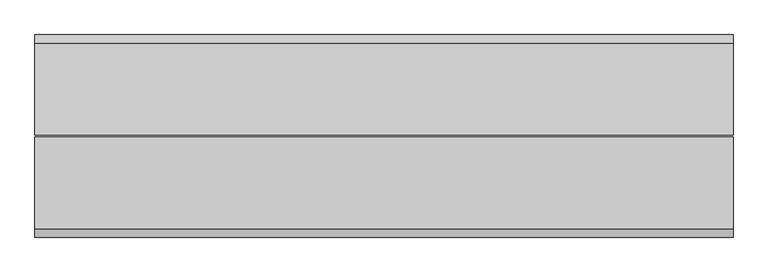
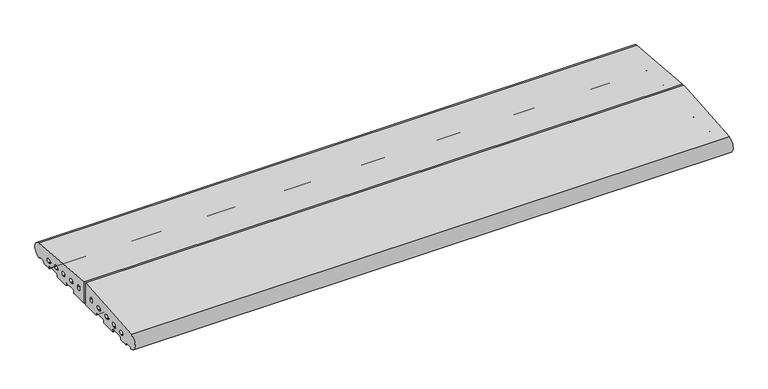
"""IFC4 building model written with IfcOpenShell, lengths in millimetres: proxy geometry."""

from ifc_helpers import new_model, si_unit, point, frame, frame_2d, origin, place, context, project, spatial, polyline, circle_curve, trimmed, segment, composite_curve, outline, extrude, source, transform, mapped, element, save


def generic_models_19029b8a(model_context):
    return source(origin(), model_context, "Body", "SweptSolid", [
        extrude(outline(composite_curve([segment(trimmed(circle_curve(frame_2d((26.5732255, 3.5071443)), 1.0), [point((26.5981483, 2.5074549))], [point((25.7072001, 3.0071443))], False, "CARTESIAN"), True, "CONTINUOUS"), segment(polyline([(25.7072001, 3.0071443), (23.6905989, 6.5)]), True, "CONTINUOUS"), segment(trimmed(circle_curve(frame_2d((21.9585481, 5.5)), 2.0), [point((23.6905989, 6.5))], [point((21.9585481, 7.5))], True, "CARTESIAN"), True, "CONTINUOUS"), segment(polyline([(21.9585481, 7.5), (5.4848276, 7.5)]), True, "CONTINUOUS"), segment(trimmed(circle_curve(frame_2d((5.4848276, 5.5)), 2.0), [point((5.4848276, 7.5))], [point((3.7527767, 6.5))], True, "CARTESIAN"), True, "CONTINUOUS"), segment(polyline([(3.7527767, 6.5), (0.2886751, 0.5)]), True, "CONTINUOUS"), segment(trimmed(circle_curve(frame_2d((-0.5773503, 1.0)), 1.0), [point((0.2886751, 0.5))], [point((-0.5773503, 0.0))], False, "CARTESIAN"), True, "CONTINUOUS"), segment(polyline([(-0.5773503, 0.0), (-27.0, 0.0)]), True, "CONTINUOUS"), segment(trimmed(circle_curve(frame_2d((-27.0, 1.0)), 1.0), [point((-27.0, 0.0))], [point((-28.0, 1.0))], False, "CARTESIAN"), True, "CONTINUOUS"), segment(polyline([(-28.0, 1.0), (-28.0, 7.0)]), True, "CONTINUOUS"), segment(trimmed(circle_curve(frame_2d((-30.0, 7.0)), 2.0), [point((-28.0, 7.0))], [point((-30.0, 9.0))], True, "CARTESIAN"), True, "CONTINUOUS"), segment(polyline([(-30.0, 9.0), (-68.0, 9.0)]), True, "CONTINUOUS"), segment(trimmed(circle_curve(frame_2d((-68.0, 7.0)), 2.0), [point((-68.0, 9.0))], [point((-70.0, 7.0))], True, "CARTESIAN"), True, "CONTINUOUS"), segment(polyline([(-70.0, 7.0), (-70.0, 1.0)]), True, "CONTINUOUS"), segment(trimmed(circle_curve(frame_2d((-71.0, 1.0)), 1.0), [point((-70.0, 1.0))], [point((-71.0, 0.0))], False, "CARTESIAN"), True, "CONTINUOUS"), segment(polyline([(-71.0, 0.0), (-117.0, 0.0)]), True, "CONTINUOUS"), segment(trimmed(circle_curve(frame_2d((-117.0, 1.0)), 1.0), [point((-117.0, 0.0))], [point((-118.0, 1.0))], False, "CARTESIAN"), True, "CONTINUOUS"), segment(polyline([(-118.0, 1.0), (-118.0, 7.0)]), True, "CONTINUOUS"), segment(trimmed(circle_curve(frame_2d((-120.0, 7.0)), 2.0), [point((-118.0, 7.0))], [point((-120.0, 9.0))], True, "CARTESIAN"), True, "CONTINUOUS"), segment(polyline([(-120.0, 9.0), (-158.0, 9.0)]), True, "CONTINUOUS"), segment(trimmed(circle_curve(frame_2d((-158.0, 7.0)), 2.0), [point((-158.0, 9.0))], [point((-160.0, 7.0))], True, "CARTESIAN"), True, "CONTINUOUS"), segment(polyline([(-160.0, 7.0), (-160.0, 1.0)]), True, "CONTINUOUS"), segment(trimmed(circle_curve(frame_2d((-161.0, 1.0)), 1.0), [point((-160.0, 1.0))], [point((-161.0, 0.0))], False, "CARTESIAN"), True, "CONTINUOUS"), segment(polyline([(-161.0, 0.0), (-217.0, 0.0), (-217.0, 71.7901644), (28.0858073, 50.4091909)]), True, "CONTINUOUS"), segment(trimmed(circle_curve(frame_2d((26.0, 26.5)), 24.0), [point((28.0858073, 50.4091909))], [point((26.5981483, 2.5074549))], False, "CARTESIAN"), True, "CONTINUOUS")], self_intersect=False), holes=[composite_curve([segment(polyline([(-25.6340051, 17.8353497), (-22.3659949, 17.8353497)]), True, "CONTINUOUS"), segment(trimmed(circle_curve(frame_2d((-21.9962051, 23.8353497)), 6.0113846), [point((-22.3659949, 17.8353497))], [point((-22.3659949, 29.8353497))], True, "CARTESIAN"), True, "CONTINUOUS"), segment(polyline([(-22.3659949, 29.8353497), (-25.6340051, 29.8353497)]), True, "CONTINUOUS"), segment(trimmed(circle_curve(frame_2d((-26.0037949, 23.8353497)), 6.0113846), [point((-25.6340051, 29.8353497))], [point((-25.6340051, 17.8353497))], True, "CARTESIAN"), True, "CONTINUOUS")], self_intersect=False), composite_curve([segment(polyline([(-65.6340051, 20.300615), (-62.3659949, 20.300615)]), True, "CONTINUOUS"), segment(trimmed(circle_curve(frame_2d((-61.9962051, 26.300615)), 6.0113846), [point((-62.3659949, 20.300615))], [point((-62.3659949, 32.300615))], True, "CARTESIAN"), True, "CONTINUOUS"), segment(polyline([(-62.3659949, 32.300615), (-65.6340051, 32.300615)]), True, "CONTINUOUS"), segment(trimmed(circle_curve(frame_2d((-66.0037949, 26.300615)), 6.0113846), [point((-65.6340051, 32.300615))], [point((-65.6340051, 20.300615))], True, "CARTESIAN"), True, "CONTINUOUS")], self_intersect=False), composite_curve([segment(polyline([(-102.3659949, 34.7658802), (-105.6340051, 34.7658802)]), True, "CONTINUOUS"), segment(trimmed(circle_curve(frame_2d((-106.0037949, 28.7658802)), 6.0113846), [point((-105.6340051, 34.7658802))], [point((-105.6340051, 22.7658802))], True, "CARTESIAN"), True, "CONTINUOUS"), segment(polyline([(-105.6340051, 22.7658802), (-102.3659949, 22.7658802)]), True, "CONTINUOUS"), segment(trimmed(circle_curve(frame_2d((-101.9962051, 28.7658802)), 6.0113846), [point((-102.3659949, 22.7658802))], [point((-102.3659949, 34.7658802))], True, "CARTESIAN"), True, "CONTINUOUS")], self_intersect=False), composite_curve([segment(trimmed(circle_curve(frame_2d((-186.0, 35.8234689)), 6.0113846), [point((-180.0, 35.4536791))], [point((-192.0, 35.4536791))], True, "CARTESIAN"), True, "CONTINUOUS"), segment(polyline([(-192.0, 35.4536791), (-192.0, 32.185669)]), True, "CONTINUOUS"), segment(trimmed(circle_curve(frame_2d((-186.0, 31.8158792)), 6.0113846), [point((-192.0, 32.185669))], [point((-180.0, 32.185669))], True, "CARTESIAN"), True, "CONTINUOUS"), segment(polyline([(-180.0, 32.185669), (-180.0, 35.4536791)]), True, "CONTINUOUS")], self_intersect=False), composite_curve([segment(polyline([(-144.3659949, 37.3544088), (-147.6340051, 37.3544088)]), True, "CONTINUOUS"), segment(trimmed(circle_curve(frame_2d((-148.0037949, 31.3544088)), 6.0113846), [point((-147.6340051, 37.3544088))], [point((-147.6340051, 25.3544088))], True, "CARTESIAN"), True, "CONTINUOUS"), segment(polyline([(-147.6340051, 25.3544088), (-144.3659949, 25.3544088)]), True, "CONTINUOUS"), segment(trimmed(circle_curve(frame_2d((-143.9962051, 31.3544088)), 6.0113846), [point((-144.3659949, 25.3544088))], [point((-144.3659949, 37.3544088))], True, "CARTESIAN"), True, "CONTINUOUS")], self_intersect=False)]), frame((0.0, 0.0, 0.0), z_axis=(1.0, 0.0, 0.0), x_axis=(0.0, 1.0, 0.0)), (0.0, 0.0, 1.0), 1860.0),
        extrude(outline(composite_curve([segment(trimmed(circle_curve(frame_2d((-466.0, 26.5)), 24.0), [point((-466.5981483, 2.5074549))], [point((-468.0858073, 50.4091909))], False, "CARTESIAN"), True, "CONTINUOUS"), segment(polyline([(-468.0858073, 50.4091909), (-223.0, 71.7901644), (-223.0, 0.0), (-279.0, 0.0)]), True, "CONTINUOUS"), segment(trimmed(circle_curve(frame_2d((-279.0, 1.0)), 1.0), [point((-279.0, 0.0))], [point((-280.0, 1.0))], False, "CARTESIAN"), True, "CONTINUOUS"), segment(polyline([(-280.0, 1.0), (-280.0, 7.0)]), True, "CONTINUOUS"), segment(trimmed(circle_curve(frame_2d((-282.0, 7.0)), 2.0), [point((-280.0, 7.0))], [point((-282.0, 9.0))], True, "CARTESIAN"), True, "CONTINUOUS"), segment(polyline([(-282.0, 9.0), (-320.0, 9.0)]), True, "CONTINUOUS"), segment(trimmed(circle_curve(frame_2d((-320.0, 7.0)), 2.0), [point((-320.0, 9.0))], [point((-322.0, 7.0))], True, "CARTESIAN"), True, "CONTINUOUS"), segment(polyline([(-322.0, 7.0), (-322.0, 1.0)]), True, "CONTINUOUS"), segment(trimmed(circle_curve(frame_2d((-323.0, 1.0)), 1.0), [point((-322.0, 1.0))], [point((-323.0, 0.0))], False, "CARTESIAN"), True, "CONTINUOUS"), segment(polyline([(-323.0, 0.0), (-369.0, 0.0)]), True, "CONTINUOUS"), segment(trimmed(circle_curve(frame_2d((-369.0, 1.0)), 1.0), [point((-369.0, 0.0))], [point((-370.0, 1.0))], False, "CARTESIAN"), True, "CONTINUOUS"), segment(polyline([(-370.0, 1.0), (-370.0, 7.0)]), True, "CONTINUOUS"), segment(trimmed(circle_curve(frame_2d((-372.0, 7.0)), 2.0), [point((-370.0, 7.0))], [point((-372.0, 9.0))], True, "CARTESIAN"), True, "CONTINUOUS"), segment(polyline([(-372.0, 9.0), (-410.0, 9.0)]), True, "CONTINUOUS"), segment(trimmed(circle_curve(frame_2d((-410.0, 7.0)), 2.0), [point((-410.0, 9.0))], [point((-412.0, 7.0))], True, "CARTESIAN"), True, "CONTINUOUS"), segment(polyline([(-412.0, 7.0), (-412.0, 1.0)]), True, "CONTINUOUS"), segment(trimmed(circle_curve(frame_2d((-413.0, 1.0)), 1.0), [point((-412.0, 1.0))], [point((-413.0, 0.0))], False, "CARTESIAN"), True, "CONTINUOUS"), segment(polyline([(-413.0, 0.0), (-439.4226497, 0.0)]), True, "CONTINUOUS"), segment(trimmed(circle_curve(frame_2d((-439.4226497, 1.0)), 1.0), [point((-439.4226497, 0.0))], [point((-440.2886751, 0.5))], False, "CARTESIAN"), True, "CONTINUOUS"), segment(polyline([(-440.2886751, 0.5), (-443.7527767, 6.5)]), True, "CONTINUOUS"), segment(trimmed(circle_curve(frame_2d((-445.4848276, 5.5)), 2.0), [point((-443.7527767, 6.5))], [point((-445.4848276, 7.5))], True, "CARTESIAN"), True, "CONTINUOUS"), segment(polyline([(-445.4848276, 7.5), (-461.9585481, 7.5)]), True, "CONTINUOUS"), segment(trimmed(circle_curve(frame_2d((-461.9585481, 5.5)), 2.0), [point((-461.9585481, 7.5))], [point((-463.6905989, 6.5))], True, "CARTESIAN"), True, "CONTINUOUS"), segment(polyline([(-463.6905989, 6.5), (-465.7072001, 3.0071443)]), True, "CONTINUOUS"), segment(trimmed(circle_curve(frame_2d((-466.5732255, 3.5071443)), 1.0), [point((-465.7072001, 3.0071443))], [point((-466.5981483, 2.5074549))], False, "CARTESIAN"), True, "CONTINUOUS")], self_intersect=False), holes=[composite_curve([segment(trimmed(circle_curve(frame_2d((-413.9962051, 23.8353497)), 6.0113846), [point((-414.3659949, 17.8353497))], [point((-414.3659949, 29.8353497))], True, "CARTESIAN"), True, "CONTINUOUS"), segment(polyline([(-414.3659949, 29.8353497), (-417.6340051, 29.8353497)]), True, "CONTINUOUS"), segment(trimmed(circle_curve(frame_2d((-418.0037949, 23.8353497)), 6.0113846), [point((-417.6340051, 29.8353497))], [point((-417.6340051, 17.8353497))], True, "CARTESIAN"), True, "CONTINUOUS"), segment(polyline([(-417.6340051, 17.8353497), (-414.3659949, 17.8353497)]), True, "CONTINUOUS")], self_intersect=False), composite_curve([segment(trimmed(circle_curve(frame_2d((-373.9962051, 26.300615)), 6.0113846), [point((-374.3659949, 20.300615))], [point((-374.3659949, 32.300615))], True, "CARTESIAN"), True, "CONTINUOUS"), segment(polyline([(-374.3659949, 32.300615), (-377.6340051, 32.300615)]), True, "CONTINUOUS"), segment(trimmed(circle_curve(frame_2d((-378.0037949, 26.300615)), 6.0113846), [point((-377.6340051, 32.300615))], [point((-377.6340051, 20.300615))], True, "CARTESIAN"), True, "CONTINUOUS"), segment(polyline([(-377.6340051, 20.300615), (-374.3659949, 20.300615)]), True, "CONTINUOUS")], self_intersect=False), composite_curve([segment(trimmed(circle_curve(frame_2d((-338.0037949, 28.7658802)), 6.0113846), [point((-337.6340051, 34.7658802))], [point((-337.6340051, 22.7658802))], True, "CARTESIAN"), True, "CONTINUOUS"), segment(polyline([(-337.6340051, 22.7658802), (-334.3659949, 22.7658802)]), True, "CONTINUOUS"), segment(trimmed(circle_curve(frame_2d((-333.9962051, 28.7658802)), 6.0113846), [point((-334.3659949, 22.7658802))], [point((-334.3659949, 34.7658802))], True, "CARTESIAN"), True, "CONTINUOUS"), segment(polyline([(-334.3659949, 34.7658802), (-337.6340051, 34.7658802)]), True, "CONTINUOUS")], self_intersect=False), composite_curve([segment(trimmed(circle_curve(frame_2d((-296.0037949, 31.3544088)), 6.0113846), [point((-295.6340051, 37.3544088))], [point((-295.6340051, 25.3544088))], True, "CARTESIAN"), True, "CONTINUOUS"), segment(polyline([(-295.6340051, 25.3544088), (-292.3659949, 25.3544088)]), True, "CONTINUOUS"), segment(trimmed(circle_curve(frame_2d((-291.9962051, 31.3544088)), 6.0113846), [point((-292.3659949, 25.3544088))], [point((-292.3659949, 37.3544088))], True, "CARTESIAN"), True, "CONTINUOUS"), segment(polyline([(-292.3659949, 37.3544088), (-295.6340051, 37.3544088)]), True, "CONTINUOUS")], self_intersect=False), composite_curve([segment(polyline([(-260.0, 35.4536791), (-260.0, 32.185669)]), True, "CONTINUOUS"), segment(trimmed(circle_curve(frame_2d((-254.0, 31.8158792)), 6.0113846), [point((-260.0, 32.185669))], [point((-248.0, 32.185669))], True, "CARTESIAN"), True, "CONTINUOUS"), segment(polyline([(-248.0, 32.185669), (-248.0, 35.4536791)]), True, "CONTINUOUS"), segment(trimmed(circle_curve(frame_2d((-254.0, 35.8234689)), 6.0113846), [point((-248.0, 35.4536791))], [point((-260.0, 35.4536791))], True, "CARTESIAN"), True, "CONTINUOUS")], self_intersect=False)]), frame((0.0, 0.0, 0.0), z_axis=(1.0, 0.0, 0.0), x_axis=(0.0, 1.0, 0.0)), (0.0, 0.0, 1.0), 1860.0),
    ])


if __name__ == "__main__":
    model = new_model("IFC4")
    model_context = context("Model", 3, world=origin())
    ifc_project = project(units=[si_unit("LENGTHUNIT", "METRE", prefix="MILLI")], contexts=[model_context])
    site = spatial("IfcSite", under=ifc_project)
    building = spatial("IfcBuilding", under=site)
    placement = place(None, origin())
    generic_models_shape = generic_models_19029b8a(model_context)
    element("IfcBuildingElementProxy", 1, Name="Generic Models", at=placement, inside=building, context=model_context, shape_type="MappedRepresentation", body=[
        mapped(generic_models_shape, transform((0.0, 0.0, 0.0), x_axis=(1.0, 0.0, 0.0), y_axis=(0.0, 1.0, 0.0), z_axis=(0.0, 0.0, 1.0))),
    ])
    save(model, "model.ifc")
